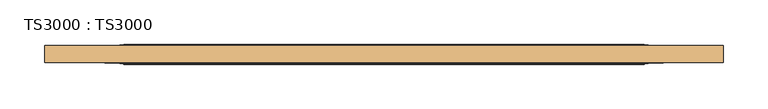
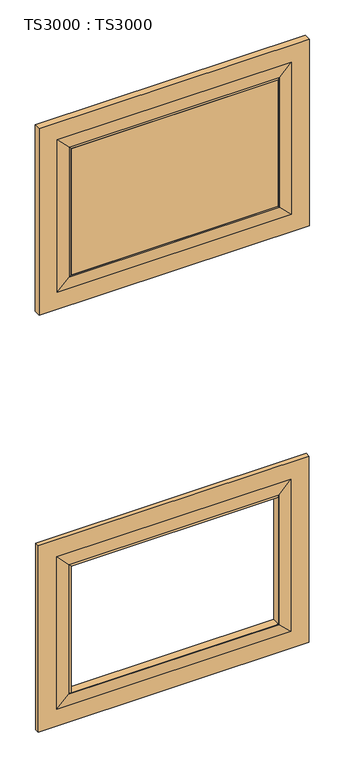
"""IFC4 building model written with IfcOpenShell, lengths in millimetres: door geometry, TS3000 : TS3000."""

from ifc_helpers import new_model, si_unit, frame, origin, place, context, project, spatial, polyline, ellipse_curve, outline, extrude, source, transform, mapped, element, save
from ifc_brep_helpers import plane_surface, revolved_surface, advanced_brep


def ts3000_ts3000_fbc00aaa(model_context):
    return source(origin(), model_context, "Body", "SolidModel", [
        advanced_brep(
        [(889.0, -15.875, 764.1166667), (889.0, -28.575, 764.1166667), (889.0, -28.575, 209.55), (889.0, -15.875, 209.55), (800.1, -33.3375, 675.2166667), (800.1, -11.1125, 675.2166667), (800.1, -11.1125, 298.45), (800.1, -33.3375, 298.45), (127.0, -28.575, 209.55), (127.0, -15.875, 209.55), (215.9, -11.1125, 298.45), (215.9, -33.3375, 298.45), (127.0, -28.575, 764.1166667), (127.0, -15.875, 764.1166667), (215.9, -11.1125, 675.2166667), (215.9, -33.3375, 675.2166667), (838.2, -28.575, 260.35), (177.8, -28.575, 260.35), (177.8, -28.575, 713.3166667), (838.2, -28.575, 713.3166667), (838.2, -15.875, 713.3166667), (177.8, -15.875, 713.3166667), (177.8, -15.875, 260.35), (838.2, -15.875, 260.35), (804.8625, -30.95625, 679.9791667), (804.8625, -30.95625, 293.6875), (211.1375, -30.95625, 293.6875), (211.1375, -30.95625, 679.9791667), (804.8625, -13.49375, 679.9791667), (804.8625, -13.49375, 293.6875), (211.1375, -13.49375, 293.6875), (211.1375, -13.49375, 679.9791667)],
        [
            (0, 1),
            (1, 2),
            (2, 3),
            (3, 0),
            (4, 5),
            (5, 6),
            (6, 7),
            (7, 4),
            (2, 8),
            (8, 9),
            (9, 3),
            (6, 10),
            (10, 11),
            (11, 7),
            (8, 12),
            (12, 13),
            (13, 9),
            (10, 14),
            (14, 15),
            (15, 11),
            (1, 12),
            (16, 17),
            (17, 18),
            (18, 19),
            (19, 16),
            (0, 13),
            (20, 21),
            (21, 22),
            (22, 23),
            (23, 20),
            (14, 5),
            (4, 15),
            (19, 24),
            (24, 25),
            (25, 16),
            (25, 26),
            (26, 17),
            (26, 27),
            (27, 18),
            (27, 24),
            (28, 20),
            (23, 29),
            (29, 28),
            (5, 28, ellipse_curve(frame((805.3585938, -6.5484375, 680.4752604), z_axis=(-0.7071067811865475, 0.0, 0.7071067811865475), x_axis=(-0.7071067811865474, 0.0, -0.7071067811865476)), 9.8471798, 6.9630076)),
            (29, 6, ellipse_curve(frame((805.3585938, -6.5484375, 293.1914062), z_axis=(-0.7071067811865475, 0.0, -0.7071067811865475), x_axis=(0.7071067811865474, 0.0, -0.7071067811865476)), 9.8471798, 6.9630076)),
            (24, 4, ellipse_curve(frame((805.3585938, -37.9015625, 680.4752604), z_axis=(-0.7071067811865475, 0.0, 0.7071067811865475), x_axis=(-0.7071067811865474, 0.0, -0.7071067811865476)), 9.8471798, 6.9630076)),
            (7, 25, ellipse_curve(frame((805.3585938, -37.9015625, 293.1914062), z_axis=(-0.7071067811865475, 0.0, -0.7071067811865475), x_axis=(0.7071067811865474, 0.0, -0.7071067811865476)), 9.8471798, 6.9630076)),
            (22, 30),
            (30, 29),
            (30, 10, ellipse_curve(frame((210.6414063, -6.5484375, 293.1914062), z_axis=(-0.7071067811865475, 0.0, 0.7071067811865475), x_axis=(-0.7071067811865476, 0.0, -0.7071067811865474)), 9.8471798, 6.9630076)),
            (11, 26, ellipse_curve(frame((210.6414063, -37.9015625, 293.1914062), z_axis=(-0.7071067811865475, 0.0, 0.7071067811865475), x_axis=(-0.7071067811865476, 0.0, -0.7071067811865474)), 9.8471798, 6.9630076)),
            (21, 31),
            (31, 30),
            (31, 14, ellipse_curve(frame((210.6414063, -6.5484375, 680.4752604), z_axis=(0.7071067811865475, 0.0, 0.7071067811865475), x_axis=(-0.7071067811865474, 0.0, 0.7071067811865476)), 9.8471798, 6.9630076)),
            (15, 27, ellipse_curve(frame((210.6414063, -37.9015625, 680.4752604), z_axis=(0.7071067811865475, 0.0, 0.7071067811865475), x_axis=(-0.7071067811865474, 0.0, 0.7071067811865476)), 9.8471798, 6.9630076)),
            (28, 31),
        ],
        [
            plane_surface(frame((889.0, -28.575, 764.1166667), z_axis=(1.0, 0.0, 0.0), x_axis=(0.0, 0.0, -1.0))),
            plane_surface(frame((800.1, -11.1125, 675.2166667), z_axis=(-1.0, 0.0, 0.0), x_axis=(0.0, 0.0, -1.0))),
            plane_surface(frame((889.0, -28.575, 209.55), z_axis=(0.0, 0.0, -1.0), x_axis=(-1.0, 0.0, 0.0))),
            plane_surface(frame((800.1, -11.1125, 298.45), z_axis=(0.0, 0.0, 1.0), x_axis=(-1.0, 0.0, 0.0))),
            plane_surface(frame((127.0, -28.575, 209.55), z_axis=(-1.0, 0.0, 0.0), x_axis=(0.0, 0.0, 1.0))),
            plane_surface(frame((215.9, -11.1125, 298.45), z_axis=(1.0, 0.0, 0.0), x_axis=(0.0, 0.0, 1.0))),
            plane_surface(frame((177.8, -28.575, 713.3166667), z_axis=(0.0, -1.0, 0.0), x_axis=(1.0, 0.0, 0.0))),
            plane_surface(frame((127.0, -28.575, 764.1166667), z_axis=(0.0, 0.0, 1.0), x_axis=(1.0, 0.0, 0.0))),
            plane_surface(frame((127.0, -15.875, 764.1166667), z_axis=(0.0, 1.0, 0.0), x_axis=(1.0, 0.0, 0.0))),
            plane_surface(frame((215.9, -11.1125, 675.2166667), z_axis=(0.0, 0.0, -1.0), x_axis=(1.0, 0.0, 0.0))),
            plane_surface(frame((804.8625, -30.95625, 679.9791667), z_axis=(0.07124704998802811, -0.9974586998307265, 0.0), x_axis=(0.0, 0.0, -1.0))),
            plane_surface(frame((804.8625, -30.95625, 293.6875), z_axis=(0.0, -0.9974586998307263, -0.07124704998803134), x_axis=(-1.0, 0.0, 0.0))),
            plane_surface(frame((211.1375, -30.95625, 293.6875), z_axis=(-0.07124704998803458, -0.9974586998307261, 0.0), x_axis=(0.0, 0.0, 1.0))),
            plane_surface(frame((211.1375, -30.95625, 679.9791667), z_axis=(0.0, -0.9974586998307263, 0.07124704998803134), x_axis=(1.0, 0.0, 0.0))),
            plane_surface(frame((838.2, -15.875, 713.3166667), z_axis=(0.07124704998803484, 0.9974586998307261, 0.0), x_axis=(0.0, 0.0, -1.0))),
            revolved_surface(polyline([(798.3955862, -6.5484375, 286.2283985878568), (798.3955862, -6.5484375, 687.4382680121432)]), (805.3585938, -6.5484375, 675.2166667), (0.0, 0.0, -1.0)),
            revolved_surface(polyline([(798.3955862, -37.9015625, 286.2283985878568), (798.3955862, -37.9015625, 687.4382680121432)]), (805.3585938, -37.9015625, 675.2166667), (0.0, 0.0, -1.0)),
            plane_surface(frame((838.2, -15.875, 260.35), z_axis=(0.0, 0.9974586998307263, -0.07124704998803161), x_axis=(-1.0, 0.0, 0.0))),
            revolved_surface(polyline([(203.67839868785677, -6.5484375, 300.15441380000004), (812.3216014121432, -6.5484375, 300.15441380000004)]), (800.1, -6.5484375, 293.1914062), (-1.0, 0.0, 0.0)),
            revolved_surface(polyline([(203.67839868785677, -37.9015625, 300.15441380000004), (812.3216014121432, -37.9015625, 300.15441380000004)]), (800.1, -37.9015625, 293.1914062), (-1.0, 0.0, 0.0)),
            plane_surface(frame((177.8, -15.875, 260.35), z_axis=(-0.07124704998802837, 0.9974586998307265, 0.0), x_axis=(0.0, 0.0, 1.0))),
            revolved_surface(polyline([(217.6044139, -6.5484375, 687.4382680121432), (217.6044139, -6.5484375, 286.2283985878568)]), (210.6414063, -6.5484375, 298.45), (0.0, 0.0, 1.0)),
            revolved_surface(polyline([(217.6044139, -37.9015625, 687.4382680121432), (217.6044139, -37.9015625, 286.2283985878568)]), (210.6414063, -37.9015625, 298.45), (0.0, 0.0, 1.0)),
            plane_surface(frame((177.8, -15.875, 713.3166667), z_axis=(0.0, 0.9974586998307263, 0.07124704998803161), x_axis=(1.0, 0.0, 0.0))),
            revolved_surface(polyline([(812.3216014121432, -6.5484375, 673.5122528), (203.6783986878568, -6.5484375, 673.5122528)]), (215.9, -6.5484375, 680.4752604), (1.0, 0.0, 0.0)),
            revolved_surface(polyline([(812.3216014121432, -37.9015625, 673.5122528), (203.6783986878568, -37.9015625, 673.5122528)]), (215.9, -37.9015625, 680.4752604), (1.0, 0.0, 0.0)),
        ],
        [
            (0, [[1, 2, 3, 4]]),
            (1, [[5, 6, 7, 8]]),
            (2, [[-3, 9, 10, 11]]),
            (3, [[-7, 12, 13, 14]]),
            (4, [[-10, 15, 16, 17]]),
            (5, [[-13, 18, 19, 20]]),
            (6, [[21, -15, -9, -2], [22, 23, 24, 25]]),
            (7, [[-16, -21, -1, 26]]),
            (8, [[-11, -17, -26, -4], [27, 28, 29, 30]]),
            (9, [[-19, 31, -5, 32]]),
            (10, [[33, 34, 35, -25]]),
            (11, [[-35, 36, 37, -22]]),
            (12, [[-37, 38, 39, -23]]),
            (13, [[-39, 40, -33, -24]]),
            (14, [[41, -30, 42, 43]]),
            (15, [[44, -43, 45, -6]]),
            (16, [[46, -8, 47, -34]]),
            (17, [[-42, -29, 48, 49]]),
            (18, [[-45, -49, 50, -12]]),
            (19, [[-47, -14, 51, -36]]),
            (20, [[-48, -28, 52, 53]]),
            (21, [[-50, -53, 54, -18]]),
            (22, [[-51, -20, 55, -38]]),
            (23, [[-52, -27, -41, 56]]),
            (24, [[-54, -56, -44, -31]]),
            (25, [[-55, -32, -46, -40]]),
        ],
    ),
        advanced_brep(
        [(889.0, -12.7, 2006.6), (889.0, -31.75, 2006.6), (889.0, -31.75, 1452.0333333), (889.0, -12.7, 1452.0333333), (800.1, -33.3375, 1917.7), (800.1, -11.1125, 1917.7), (800.1, -11.1125, 1540.9333333), (800.1, -33.3375, 1540.9333333), (127.0, -31.75, 1452.0333333), (127.0, -12.7, 1452.0333333), (215.9, -11.1125, 1540.9333333), (215.9, -33.3375, 1540.9333333), (127.0, -31.75, 2006.6), (127.0, -12.7, 2006.6), (215.9, -11.1125, 1917.7), (215.9, -33.3375, 1917.7), (838.2, -31.75, 1502.8333333), (177.8, -31.75, 1502.8333333), (177.8, -31.75, 1955.8), (838.2, -31.75, 1955.8), (838.2, -12.7, 1955.8), (177.8, -12.7, 1955.8), (177.8, -12.7, 1502.8333333), (838.2, -12.7, 1502.8333333), (804.8625, -32.54375, 1922.4625), (804.8625, -32.54375, 1536.1708333), (211.1375, -32.54375, 1536.1708333), (211.1375, -32.54375, 1922.4625), (804.8625, -11.90625, 1922.4625), (804.8625, -11.90625, 1536.1708333), (211.1375, -11.90625, 1536.1708333), (211.1375, -11.90625, 1922.4625)],
        [
            (0, 1),
            (1, 2),
            (2, 3),
            (3, 0),
            (4, 5),
            (5, 6),
            (6, 7),
            (7, 4),
            (2, 8),
            (8, 9),
            (9, 3),
            (6, 10),
            (10, 11),
            (11, 7),
            (8, 12),
            (12, 13),
            (13, 9),
            (10, 14),
            (14, 15),
            (15, 11),
            (1, 12),
            (16, 17),
            (17, 18),
            (18, 19),
            (19, 16),
            (0, 13),
            (20, 21),
            (21, 22),
            (22, 23),
            (23, 20),
            (14, 5),
            (4, 15),
            (19, 24),
            (24, 25),
            (25, 16),
            (25, 26),
            (26, 17),
            (26, 27),
            (27, 18),
            (27, 24),
            (28, 20),
            (23, 29),
            (29, 28),
            (5, 28, ellipse_curve(frame((805.3585938, 5.7546875, 1922.9585938), z_axis=(-0.7071067811865475, 0.0, 0.7071067811865475), x_axis=(-0.7071067811865474, 0.0, -0.7071067811865476)), 24.9861891, 17.6679037)),
            (29, 6, ellipse_curve(frame((805.3585938, 5.7546875, 1535.6747396), z_axis=(-0.7071067811865475, 0.0, -0.7071067811865475), x_axis=(0.7071067811865474, 0.0, -0.7071067811865476)), 24.9861891, 17.6679037)),
            (24, 4, ellipse_curve(frame((805.3585938, -50.2046875, 1922.9585938), z_axis=(-0.7071067811865475, 0.0, 0.7071067811865475), x_axis=(-0.7071067811865474, 0.0, -0.7071067811865476)), 24.9861891, 17.6679037)),
            (7, 25, ellipse_curve(frame((805.3585938, -50.2046875, 1535.6747396), z_axis=(-0.7071067811865475, 0.0, -0.7071067811865475), x_axis=(0.7071067811865474, 0.0, -0.7071067811865476)), 24.9861891, 17.6679037)),
            (22, 30),
            (30, 29),
            (30, 10, ellipse_curve(frame((210.6414063, 5.7546875, 1535.6747396), z_axis=(-0.7071067811865475, 0.0, 0.7071067811865475), x_axis=(-0.7071067811865476, 0.0, -0.7071067811865474)), 24.9861891, 17.6679037)),
            (11, 26, ellipse_curve(frame((210.6414063, -50.2046875, 1535.6747396), z_axis=(-0.7071067811865475, 0.0, 0.7071067811865475), x_axis=(-0.7071067811865476, 0.0, -0.7071067811865474)), 24.9861891, 17.6679037)),
            (21, 31),
            (31, 30),
            (31, 14, ellipse_curve(frame((210.6414063, 5.7546875, 1922.9585938), z_axis=(0.7071067811865475, 0.0, 0.7071067811865475), x_axis=(-0.7071067811865474, 0.0, 0.7071067811865476)), 24.9861891, 17.6679037)),
            (15, 27, ellipse_curve(frame((210.6414063, -50.2046875, 1922.9585938), z_axis=(0.7071067811865475, 0.0, 0.7071067811865475), x_axis=(-0.7071067811865474, 0.0, 0.7071067811865476)), 24.9861891, 17.6679037)),
            (28, 31),
        ],
        [
            plane_surface(frame((889.0, -31.75, 2006.6), z_axis=(1.0, 0.0, 0.0), x_axis=(0.0, 0.0, -1.0))),
            plane_surface(frame((800.1, -11.1125, 1917.7), z_axis=(-1.0, 0.0, 0.0), x_axis=(0.0, 0.0, -1.0))),
            plane_surface(frame((889.0, -31.75, 1452.0333333), z_axis=(0.0, 0.0, -1.0), x_axis=(-1.0, 0.0, 0.0))),
            plane_surface(frame((800.1, -11.1125, 1540.9333333), z_axis=(0.0, 0.0, 1.0), x_axis=(-1.0, 0.0, 0.0))),
            plane_surface(frame((127.0, -31.75, 1452.0333333), z_axis=(-1.0, 0.0, 0.0), x_axis=(0.0, 0.0, 1.0))),
            plane_surface(frame((215.9, -11.1125, 1540.9333333), z_axis=(1.0, 0.0, 0.0), x_axis=(0.0, 0.0, 1.0))),
            plane_surface(frame((177.8, -31.75, 1955.8), z_axis=(0.0, -1.0, 0.0), x_axis=(1.0, 0.0, 0.0))),
            plane_surface(frame((127.0, -31.75, 2006.6), z_axis=(0.0, 0.0, 1.0), x_axis=(1.0, 0.0, 0.0))),
            plane_surface(frame((127.0, -12.7, 2006.6), z_axis=(0.0, 1.0, 0.0), x_axis=(1.0, 0.0, 0.0))),
            plane_surface(frame((215.9, -11.1125, 1917.7), z_axis=(0.0, 0.0, -1.0), x_axis=(1.0, 0.0, 0.0))),
            plane_surface(frame((804.8625, -32.54375, 1922.4625), z_axis=(0.02380277794632505, -0.9997166737441353, 0.0), x_axis=(0.0, 0.0, -1.0))),
            plane_surface(frame((804.8625, -32.54375, 1536.1708333), z_axis=(0.0, -0.9997166737441353, -0.02380277794632829), x_axis=(-1.0, 0.0, 0.0))),
            plane_surface(frame((211.1375, -32.54375, 1536.1708333), z_axis=(-0.023802777946331528, -0.9997166737441352, 0.0), x_axis=(0.0, 0.0, 1.0))),
            plane_surface(frame((211.1375, -32.54375, 1922.4625), z_axis=(0.0, -0.9997166737441353, 0.02380277794632829), x_axis=(1.0, 0.0, 0.0))),
            plane_surface(frame((838.2, -12.7, 1955.8), z_axis=(0.023802777946332287, 0.9997166737441352, 0.0), x_axis=(0.0, 0.0, -1.0))),
            revolved_surface(polyline([(787.6906901, 5.7546875, 1518.0068358513806), (787.6906901, 5.7546875, 1940.6264975486195)]), (805.3585938, 5.7546875, 1917.7), (0.0, 0.0, -1.0)),
            revolved_surface(polyline([(787.6906901, -50.2046875, 1518.0068358513806), (787.6906901, -50.2046875, 1940.6264975486195)]), (805.3585938, -50.2046875, 1917.7), (0.0, 0.0, -1.0)),
            plane_surface(frame((838.2, -12.7, 1502.8333333), z_axis=(0.0, 0.9997166737441353, -0.02380277794632905), x_axis=(-1.0, 0.0, 0.0))),
            revolved_surface(polyline([(192.97350255138053, 5.7546875, 1553.3426433), (823.0264975486194, 5.7546875, 1553.3426433)]), (800.1, 5.7546875, 1535.6747396), (-1.0, 0.0, 0.0)),
            revolved_surface(polyline([(192.97350255138053, -50.2046875, 1553.3426433), (823.0264975486194, -50.2046875, 1553.3426433)]), (800.1, -50.2046875, 1535.6747396), (-1.0, 0.0, 0.0)),
            plane_surface(frame((177.8, -12.7, 1502.8333333), z_axis=(-0.023802777946325814, 0.9997166737441354, 0.0), x_axis=(0.0, 0.0, 1.0))),
            revolved_surface(polyline([(228.30931, 5.7546875, 1940.6264975486195), (228.30931, 5.7546875, 1518.0068358513806)]), (210.6414063, 5.7546875, 1540.9333333), (0.0, 0.0, 1.0)),
            revolved_surface(polyline([(228.30931, -50.2046875, 1940.6264975486195), (228.30931, -50.2046875, 1518.0068358513806)]), (210.6414063, -50.2046875, 1540.9333333), (0.0, 0.0, 1.0)),
            plane_surface(frame((177.8, -12.7, 1955.8), z_axis=(0.0, 0.9997166737441353, 0.02380277794632905), x_axis=(1.0, 0.0, 0.0))),
            revolved_surface(polyline([(823.0264975486194, 5.7546875, 1905.2906901000001), (192.9735025513806, 5.7546875, 1905.2906901000001)]), (215.9, 5.7546875, 1922.9585938), (1.0, 0.0, 0.0)),
            revolved_surface(polyline([(823.0264975486194, -50.2046875, 1905.2906901000001), (192.9735025513806, -50.2046875, 1905.2906901000001)]), (215.9, -50.2046875, 1922.9585938), (1.0, 0.0, 0.0)),
        ],
        [
            (0, [[1, 2, 3, 4]]),
            (1, [[5, 6, 7, 8]]),
            (2, [[-3, 9, 10, 11]]),
            (3, [[-7, 12, 13, 14]]),
            (4, [[-10, 15, 16, 17]]),
            (5, [[-13, 18, 19, 20]]),
            (6, [[21, -15, -9, -2], [22, 23, 24, 25]]),
            (7, [[-16, -21, -1, 26]]),
            (8, [[-11, -17, -26, -4], [27, 28, 29, 30]]),
            (9, [[-19, 31, -5, 32]]),
            (10, [[33, 34, 35, -25]]),
            (11, [[-35, 36, 37, -22]]),
            (12, [[-37, 38, 39, -23]]),
            (13, [[-39, 40, -33, -24]]),
            (14, [[41, -30, 42, 43]]),
            (15, [[44, -43, 45, -6]]),
            (16, [[46, -8, 47, -34]]),
            (17, [[-42, -29, 48, 49]]),
            (18, [[-45, -49, 50, -12]]),
            (19, [[-47, -14, 51, -36]]),
            (20, [[-48, -28, 52, 53]]),
            (21, [[-50, -53, 54, -18]]),
            (22, [[-51, -20, 55, -38]]),
            (23, [[-52, -27, -41, 56]]),
            (24, [[-54, -56, -44, -31]]),
            (25, [[-55, -32, -46, -40]]),
        ],
    ),
        extrude(outline(polyline([(215.9, -11.1125), (800.1, -11.1125), (800.1, -33.3375), (215.9, -33.3375), (215.9, -11.1125)])), frame((0.0, 0.0, 1540.9333333), z_axis=(0.0, 0.0, 1.0), x_axis=(1.0, 0.0, 0.0)), (0.0, 0.0, 1.0), 376.7666667),
    ])


if __name__ == "__main__":
    model = new_model("IFC4")
    model_context = context("Model", 3, world=origin())
    ifc_project = project(units=[si_unit("LENGTHUNIT", "METRE", prefix="MILLI")], contexts=[model_context])
    site = spatial("IfcSite", under=ifc_project)
    building = spatial("IfcBuilding", under=site)
    placement = place(None, origin())
    ts3000_ts3000_shape = ts3000_ts3000_fbc00aaa(model_context)
    element("IfcDoor", 1, ObjectType="TS3000 : TS3000", at=placement, inside=building, context=model_context, shape_type="MappedRepresentation", body=[
        mapped(ts3000_ts3000_shape, transform((0.0, 0.0, 0.0), x_axis=(1.0, 0.0, 0.0), y_axis=(0.0, 1.0, 0.0), z_axis=(0.0, 0.0, 1.0))),
    ])
    save(model, "model.ifc")
